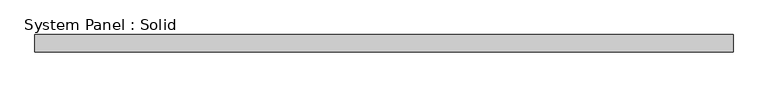
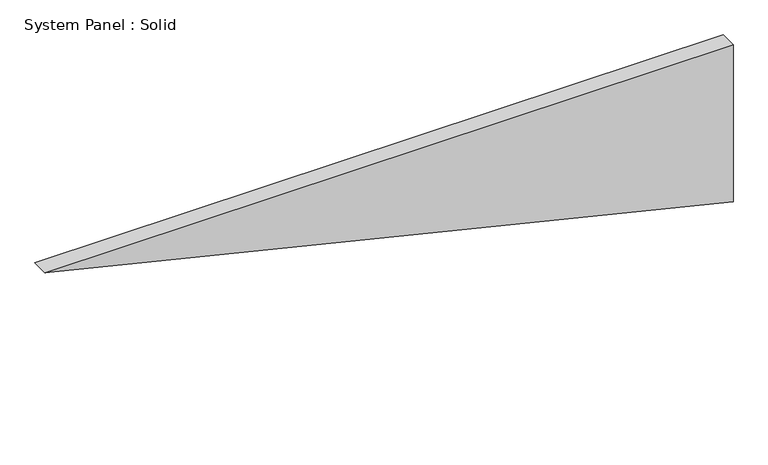
"""IFC4 building model written with IfcOpenShell, lengths in millimetres: plate geometry, System Panel : Solid."""

import ifcopenshell
import ifcopenshell.guid

model = None  # the IFC model being written
_history = None  # IfcOwnerHistory: only IFC2X3 demands one
_inside = {}  # id of a spatial element -> (the spatial element, [elements in it])
_under = {}  # id of a project, library or spatial element -> (it, [spatial elements below it])
_declared = {}  # id of a project -> (the project, [libraries it declares])
_typed = {}  # id of a type object -> (the type object, [elements of that type])
_made_of = {}  # id of a material, layer set ... -> (it, [elements and type objects made of it])


def new_model(schema):
    """Start an empty IFC model of exactly this schema.

    Asked for "IFC4X3", IfcOpenShell would pick the latest addendum, in which some entities
    have other attributes; the version numbers below select the first issue.
    IFC2X3 requires an IfcOwnerHistory on every rooted entity: one is made here for all.
    """
    global model, _history
    if schema == "IFC4X3":
        model = ifcopenshell.file(schema_version=(4, 3, 0, 0))
    else:
        model = ifcopenshell.file(schema=schema)
    _inside.clear()
    _under.clear()
    _declared.clear()
    _typed.clear()
    _made_of.clear()
    _history = None
    if model.schema == "IFC2X3":
        org = make("IfcOrganization", Name="unknown")
        user = make(
            "IfcPersonAndOrganization",
            ThePerson=make("IfcPerson", FamilyName="unknown"),
            TheOrganization=org,
        )
        app = make(
            "IfcApplication",
            ApplicationDeveloper=org,
            Version="unknown",
            ApplicationFullName="unknown",
            ApplicationIdentifier="unknown",
        )
        _history = make(
            "IfcOwnerHistory",
            OwningUser=user,
            OwningApplication=app,
            ChangeAction="ADDED",
            CreationDate=0,
        )
    return model


def make(cls, **values):
    """One entity of the class cls with the attributes given. An attribute that is None is left unset."""
    return model.create_entity(
        cls, **{name: value for name, value in values.items() if value is not None}
    )


def rooted(cls, **values):
    """An entity with a GlobalId (a new one), such as an element, a storey or a relation."""
    return make(cls, GlobalId=ifcopenshell.guid.new(), OwnerHistory=_history, **values)


def si_unit(unit_type, name, prefix=None):
    """IfcSIUnit, for example si_unit("LENGTHUNIT", "METRE", prefix="MILLI")."""
    return make("IfcSIUnit", UnitType=unit_type, Prefix=prefix, Name=name)


def assignment(units):
    """IfcUnitAssignment: the units of a project."""
    return None if units is None else make("IfcUnitAssignment", Units=units)


def point(xyz):
    """IfcCartesianPoint."""
    return None if xyz is None else make("IfcCartesianPoint", Coordinates=xyz)


def direction(xyz):
    """IfcDirection."""
    return None if xyz is None else make("IfcDirection", DirectionRatios=xyz)


def frame(location, z_axis=None, x_axis=None):
    """IfcAxis2Placement3D, a coordinate frame: its origin and axes. An axis left out is left unset."""
    return make(
        "IfcAxis2Placement3D",
        Location=point(location),
        Axis=direction(z_axis),
        RefDirection=direction(x_axis),
    )


def origin():
    """The frame at (0, 0, 0) with its axes left unset."""
    return frame((0.0, 0.0, 0.0))


def place(relative_to, where):
    """IfcLocalPlacement: puts the frame where relative to a parent placement (None: the world)."""
    return make(
        "IfcLocalPlacement", PlacementRelTo=relative_to, RelativePlacement=where
    )


def context(
    kind, dimensions, precision=None, world=None, true_north=None, identifier=None
):
    """IfcGeometricRepresentationContext, for example the 3D "Model" context."""
    return make(
        "IfcGeometricRepresentationContext",
        ContextIdentifier=identifier,
        ContextType=kind,
        CoordinateSpaceDimension=dimensions,
        Precision=precision,
        WorldCoordinateSystem=world,
        TrueNorth=true_north,
    )


def project(units=None, contexts=None):
    """IfcProject with its units and contexts."""
    return rooted(
        "IfcProject",
        Name="project",
        RepresentationContexts=contexts,
        UnitsInContext=assignment(units),
    )


def spatial(cls, under=None, at=None, **own):
    """A site, building, storey or space (cls), placed at a placement, below another one or the project."""
    s = rooted(cls, ObjectPlacement=at, **own)
    if under is not None:
        _under.setdefault(under.id(), (under, []))[1].append(s)
    return s


def polyline(points):
    """IfcPolyline through the points."""
    return make("IfcPolyline", Points=[point(p) for p in points])


def outline(outer, holes=None, kind="AREA"):
    """IfcArbitraryClosedProfileDef: a profile drawn as a closed curve; with holes, ...WithVoids."""
    if holes is None:
        return make("IfcArbitraryClosedProfileDef", ProfileType=kind, OuterCurve=outer)
    return make(
        "IfcArbitraryProfileDefWithVoids",
        ProfileType=kind,
        OuterCurve=outer,
        InnerCurves=holes,
    )


def extrude(swept, where, along, depth):
    """IfcExtrudedAreaSolid: the profile swept, set in the frame where, extruded along a direction by depth."""
    return make(
        "IfcExtrudedAreaSolid",
        SweptArea=swept,
        Position=where,
        ExtrudedDirection=direction(along),
        Depth=depth,
    )


def shape(context_of_items, identifier, shape_type, items):
    """IfcShapeRepresentation: the items that make up one representation, for example the "Body"."""
    return make(
        "IfcShapeRepresentation",
        ContextOfItems=context_of_items,
        RepresentationIdentifier=identifier,
        RepresentationType=shape_type,
        Items=items,
    )


def source(mapping_origin, context_of_items, identifier, shape_type, items):
    """IfcRepresentationMap: a shape defined once, which mapped items show again and again."""
    return make(
        "IfcRepresentationMap",
        MappingOrigin=mapping_origin,
        MappedRepresentation=shape(context_of_items, identifier, shape_type, items),
    )


def transform(
    local_origin,
    x_axis=None,
    y_axis=None,
    z_axis=None,
    scale=None,
    scale2=None,
    scale3=None,
    uniform=True,
):
    """IfcCartesianTransformationOperator3D, or its non-uniform kind. x_axis, y_axis, z_axis: its Axis1, 2, 3."""
    if uniform:
        return make(
            "IfcCartesianTransformationOperator3D",
            Axis1=direction(x_axis),
            Axis2=direction(y_axis),
            LocalOrigin=point(local_origin),
            Scale=scale,
            Axis3=direction(z_axis),
        )
    return make(
        "IfcCartesianTransformationOperator3DnonUniform",
        Axis1=direction(x_axis),
        Axis2=direction(y_axis),
        LocalOrigin=point(local_origin),
        Scale=scale,
        Axis3=direction(z_axis),
        Scale2=scale2,
        Scale3=scale3,
    )


def mapped(mapping_source, mapping_target):
    """IfcMappedItem: shows the shape of a source again, moved by a transform."""
    return make(
        "IfcMappedItem", MappingSource=mapping_source, MappingTarget=mapping_target
    )


def made_of(thing, what):
    """Note that an element or type object is made of a material, layer set ...; save() writes the relation."""
    if what is not None:
        _made_of.setdefault(what.id(), (what, []))[1].append(thing)
    return thing


def element(
    cls,
    number,
    at=None,
    inside=None,
    cuts=None,
    type_object=None,
    material=None,
    context=None,
    identifier="Body",
    shape_type=None,
    held_by="IfcProductDefinitionShape",
    body=None,
    shapes=None,
    **own,
):
    """One element of the class cls, such as IfcWall. Its Tag is "e" and its number.

    at: its placement. inside: the storey or other place that contains it. cuts: it is an
    opening in that element (IfcRelVoidsElement). A single representation is given by context,
    identifier, shape_type and body (its items); several are given by shapes. held_by: the class
    of the entity that holds the representations. save() writes the other relations.
    """
    e = rooted(cls, Tag="e%d" % number, ObjectPlacement=at, **own)
    if body is not None:
        shapes = [shape(context, identifier, shape_type, body)]
    if shapes is not None:
        e.Representation = make(held_by, Representations=shapes)
    if inside is not None:
        _inside.setdefault(inside.id(), (inside, []))[1].append(e)
    if cuts is not None:
        rooted(
            "IfcRelVoidsElement", RelatingBuildingElement=cuts, RelatedOpeningElement=e
        )
    if type_object is not None:
        _typed.setdefault(type_object.id(), (type_object, []))[1].append(e)
    return made_of(e, material)


def aggregate(whole, parts):
    """IfcRelAggregates: a whole, such as a stair, and the parts it consists of."""
    return rooted("IfcRelAggregates", RelatingObject=whole, RelatedObjects=parts)


def save(model, path):
    """Write the relations noted so far, then the file.

    IfcRelAggregates (storeys below a building ...), IfcRelContainedInSpatialStructure (elements
    in a storey), IfcRelDefinesByType, IfcRelAssociatesMaterial and IfcRelDeclares: one each for
    every whole, place, type object, material and project.
    """
    for whole, parts in _under.values():
        aggregate(whole, parts)
    for where, things in _inside.values():
        rooted(
            "IfcRelContainedInSpatialStructure",
            RelatedElements=things,
            RelatingStructure=where,
        )
    for kind, things in _typed.values():
        rooted("IfcRelDefinesByType", RelatedObjects=things, RelatingType=kind)
    for what, things in _made_of.values():
        rooted("IfcRelAssociatesMaterial", RelatedObjects=things, RelatingMaterial=what)
    for by, libraries in _declared.values():
        rooted("IfcRelDeclares", RelatingContext=by, RelatedDefinitions=libraries)
    model.write(path)


def system_panel_solid_1a633c0b(model_context):
    return source(origin(), model_context, "Body", "SweptSolid", [
        extrude(outline(polyline([(589.8505765, -1220.6330177), (0.0, 1220.6330177), (589.8505765, 1220.6330177), (589.8505765, -1220.6330177)])), frame((0.0, -10.5, 0.0), z_axis=(0.0, 1.0, 0.0), x_axis=(0.0, 0.0, 1.0)), (0.0, 0.0, 1.0), 60.0),
    ])


if __name__ == "__main__":
    model = new_model("IFC4")
    model_context = context("Model", 3, world=origin())
    ifc_project = project(units=[si_unit("LENGTHUNIT", "METRE", prefix="MILLI")], contexts=[model_context])
    site = spatial("IfcSite", under=ifc_project)
    building = spatial("IfcBuilding", under=site)
    placement = place(None, origin())
    system_panel_solid_shape = system_panel_solid_1a633c0b(model_context)
    element("IfcPlate", 1, ObjectType="System Panel : Solid", at=placement, inside=building, context=model_context, shape_type="MappedRepresentation", body=[
        mapped(system_panel_solid_shape, transform((0.0, 0.0, 0.0), x_axis=(1.0, 0.0, 0.0), y_axis=(0.0, 1.0, 0.0), z_axis=(0.0, 0.0, 1.0))),
    ])
    save(model, "model.ifc")
